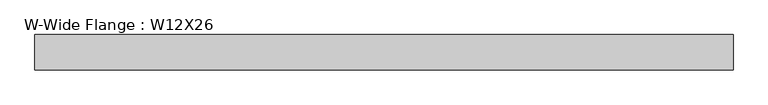
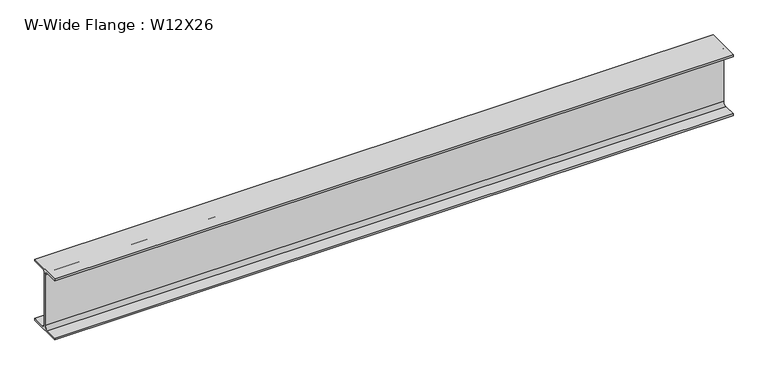
"""IFC4 building model written with IfcOpenShell, lengths in millimetres: beam geometry, W-Wide Flange : W12X26."""

from ifc_helpers import new_model, si_unit, point, frame, frame_2d, origin, place, context, project, spatial, polyline, circle_curve, trimmed, segment, composite_curve, outline, extrude, source, transform, mapped, element, save


def w_wide_flange_w12x26_05e0e1f6(model_context):
    return source(origin(), model_context, "Body", "SweptSolid", [
        extrude(outline(composite_curve([segment(polyline([(82.4011719, -145.5539063), (82.4011719, -155.178125), (-82.4011719, -155.178125), (-82.4011719, -145.5539063), (-20.2902344, -145.5539063)]), True, "CONTINUOUS"), segment(trimmed(circle_curve(frame_2d((-20.2902344, -128.190625)), 17.3632812), [point((-20.2902344, -145.5539063))], [point((-2.9269531, -128.190625))], True, "CARTESIAN"), True, "CONTINUOUS"), segment(polyline([(-2.9269531, -128.190625), (-2.9269531, 128.190625)]), True, "CONTINUOUS"), segment(trimmed(circle_curve(frame_2d((-20.2902344, 128.190625)), 17.3632812), [point((-2.9269531, 128.190625))], [point((-20.2902344, 145.5539062))], True, "CARTESIAN"), True, "CONTINUOUS"), segment(polyline([(-20.2902344, 145.5539062), (-82.4011719, 145.5539062), (-82.4011719, 155.178125), (82.4011719, 155.178125), (82.4011719, 145.5539062), (20.2902344, 145.5539062)]), True, "CONTINUOUS"), segment(trimmed(circle_curve(frame_2d((20.2902344, 128.190625)), 17.3632812), [point((20.2902344, 145.5539062))], [point((2.9269531, 128.190625))], True, "CARTESIAN"), True, "CONTINUOUS"), segment(polyline([(2.9269531, 128.190625), (2.9269531, -128.190625)]), True, "CONTINUOUS"), segment(trimmed(circle_curve(frame_2d((20.2902344, -128.190625)), 17.3632812), [point((2.9269531, -128.190625))], [point((20.2902344, -145.5539063))], True, "CARTESIAN"), True, "CONTINUOUS"), segment(polyline([(20.2902344, -145.5539063), (82.4011719, -145.5539063)]), True, "CONTINUOUS")], self_intersect=False)), frame((-1767.9283351, 0.0, 0.0), z_axis=(1.0, 0.0, 0.0), x_axis=(0.0, 1.0, 0.0)), (0.0, 0.0, 1.0), 3253.144718),
    ])


if __name__ == "__main__":
    model = new_model("IFC4")
    model_context = context("Model", 3, world=origin())
    ifc_project = project(units=[si_unit("LENGTHUNIT", "METRE", prefix="MILLI")], contexts=[model_context])
    site = spatial("IfcSite", under=ifc_project)
    building = spatial("IfcBuilding", under=site)
    placement = place(None, origin())
    w_wide_flange_w12x26_shape = w_wide_flange_w12x26_05e0e1f6(model_context)
    element("IfcBeam", 1, ObjectType="W-Wide Flange : W12X26", at=placement, inside=building, context=model_context, shape_type="MappedRepresentation", body=[
        mapped(w_wide_flange_w12x26_shape, transform((0.0, 0.0, 0.0), x_axis=(1.0, 0.0, 0.0), y_axis=(0.0, 1.0, 0.0), z_axis=(0.0, 0.0, 1.0))),
    ])
    save(model, "model.ifc")
